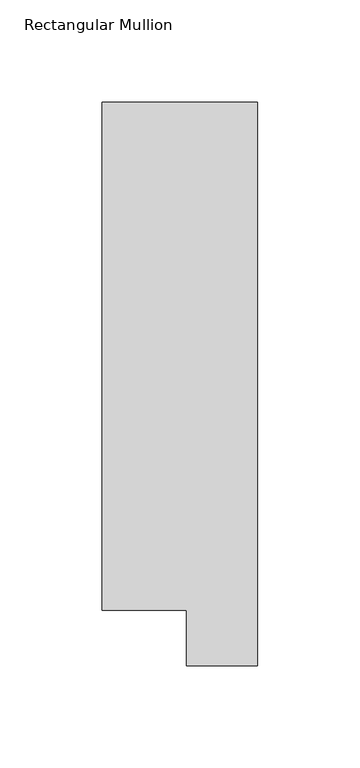
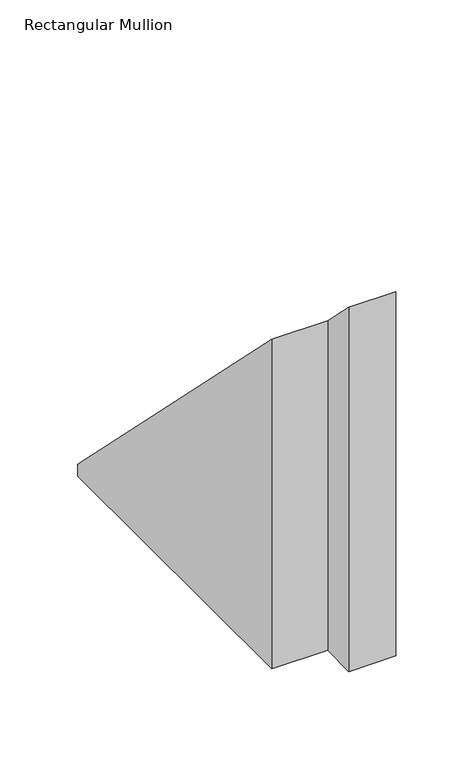
"""IFC4 building model written with IfcOpenShell, lengths in millimetres: member geometry, Rectangular Mullion."""

from ifc_helpers import new_model, si_unit, origin, place, context, project, spatial, faceted_brep, source, transform, mapped, element, save


def rectangular_mullion_0e5eeaf1(model_context):
    return source(origin(), model_context, "Body", "Brep", [
        faceted_brep([(0.0, 295.1821312, -304.76825), (0.0, 19.5667313, -304.76825), (-34.9123, 19.5667313, -304.76825), (-34.9123, 46.7447302, -304.76825), (-76.2, 46.7447302, -304.76825), (-76.2, 295.1821312, -304.76825), (-76.2, 295.1821312, -295.1821312), (0.0, 295.1821312, -295.1821312), (-76.2, 46.7447302, -46.7447302), (-34.9123, 46.7447302, -46.7447302), (-34.9123, 19.5667313, -19.5667313), (0.0, 19.5667313, -19.5667313)], [[[0, 1, 2, 3, 4, 5]], [[6, 7, 0, 5]], [[8, 6, 5, 4]], [[9, 8, 4, 3]], [[10, 9, 3, 2]], [[11, 10, 2, 1]], [[7, 11, 1, 0]], [[7, 6, 8, 9, 10, 11]]]),
    ])


if __name__ == "__main__":
    model = new_model("IFC4")
    model_context = context("Model", 3, world=origin())
    ifc_project = project(units=[si_unit("LENGTHUNIT", "METRE", prefix="MILLI")], contexts=[model_context])
    site = spatial("IfcSite", under=ifc_project)
    building = spatial("IfcBuilding", under=site)
    placement = place(None, origin())
    rectangular_mullion_shape = rectangular_mullion_0e5eeaf1(model_context)
    element("IfcMember", 1, ObjectType="Rectangular Mullion", at=placement, inside=building, context=model_context, shape_type="MappedRepresentation", body=[
        mapped(rectangular_mullion_shape, transform((0.0, 0.0, 0.0), x_axis=(1.0, 0.0, 0.0), y_axis=(0.0, 1.0, 0.0), z_axis=(0.0, 0.0, 1.0))),
    ])
    save(model, "model.ifc")
